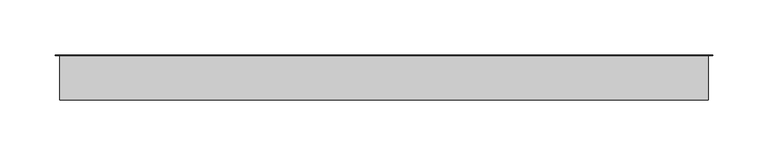
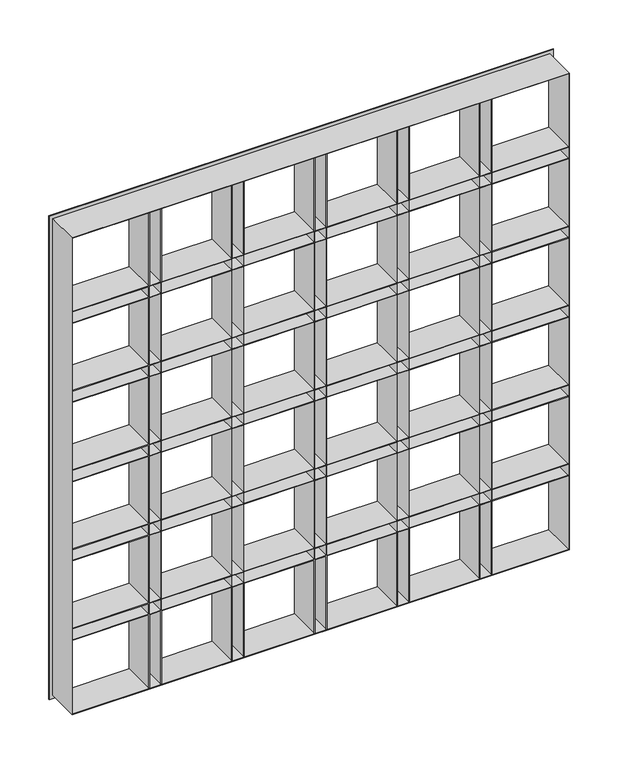
"""IFC4 building model written with IfcOpenShell, lengths in millimetres: plate geometry."""

from ifc_helpers import new_model, si_unit, origin, place, context, project, spatial, faceted_brep, source, transform, mapped, element, save


def plate_b9bea958(model_context):
    return source(origin(), model_context, "Body", "Brep", [
        faceted_brep([(-298.5, 0.0, -6.0), (-298.5, 0.0, 598.5), (298.5, 0.0, 598.5), (298.5, 0.0, -6.0), (-293.5, 0.0, 593.5), (-293.5, 0.0, 501.9166667), (-203.1666667, 0.0, 501.9166667), (-203.1666667, 0.0, 593.5), (293.5, 0.0, 501.9166667), (293.5, 0.0, 593.5), (203.1666667, 0.0, 593.5), (203.1666667, 0.0, 501.9166667), (188.1666667, 0.0, 501.9166667), (188.1666667, 0.0, 593.5), (105.3333333, 0.0, 593.5), (105.3333333, 0.0, 501.9166667), (293.5, 0.0, 486.9166667), (203.1666667, 0.0, 486.9166667), (203.1666667, 0.0, 402.8333333), (293.5, 0.0, 402.8333333), (203.1666667, 0.0, -1.0), (293.5, 0.0, -1.0), (293.5, 0.0, 90.5833333), (203.1666667, 0.0, 90.5833333), (293.5, 0.0, 387.8333333), (203.1666667, 0.0, 387.8333333), (203.1666667, 0.0, 303.75), (293.5, 0.0, 303.75), (-293.5, 0.0, 486.9166667), (-293.5, 0.0, 402.8333333), (-203.1666667, 0.0, 402.8333333), (-203.1666667, 0.0, 486.9166667), (188.1666667, 0.0, 402.8333333), (188.1666667, 0.0, 486.9166667), (105.3333333, 0.0, 486.9166667), (105.3333333, 0.0, 402.8333333), (293.5, 0.0, 288.75), (203.1666667, 0.0, 288.75), (203.1666667, 0.0, 204.6666667), (293.5, 0.0, 204.6666667), (-293.5, 0.0, 387.8333333), (-293.5, 0.0, 303.75), (-203.1666667, 0.0, 303.75), (-203.1666667, 0.0, 387.8333333), (188.1666667, 0.0, 303.75), (188.1666667, 0.0, 387.8333333), (105.3333333, 0.0, 387.8333333), (105.3333333, 0.0, 303.75), (293.5, 0.0, 189.6666667), (203.1666667, 0.0, 189.6666667), (203.1666667, 0.0, 105.5833333), (293.5, 0.0, 105.5833333), (-293.5, 0.0, 288.75), (-293.5, 0.0, 204.6666667), (-203.1666667, 0.0, 204.6666667), (-203.1666667, 0.0, 288.75), (188.1666667, 0.0, 204.6666667), (188.1666667, 0.0, 288.75), (105.3333333, 0.0, 288.75), (105.3333333, 0.0, 204.6666667), (-293.5, 0.0, 189.6666667), (-293.5, 0.0, 105.5833333), (-203.1666667, 0.0, 105.5833333), (-203.1666667, 0.0, 189.6666667), (-293.5, 0.0, 90.5833333), (-293.5, 0.0, -1.0), (-203.1666667, 0.0, -1.0), (-203.1666667, 0.0, 90.5833333), (188.1666667, 0.0, 105.5833333), (188.1666667, 0.0, 189.6666667), (105.3333333, 0.0, 189.6666667), (105.3333333, 0.0, 105.5833333), (188.1666667, 0.0, -1.0), (188.1666667, 0.0, 90.5833333), (105.3333333, 0.0, 90.5833333), (105.3333333, 0.0, -1.0), (90.3333333, 0.0, 501.9166667), (90.3333333, 0.0, 593.5), (7.5, 0.0, 593.5), (7.5, 0.0, 501.9166667), (90.3333333, 0.0, 402.8333333), (90.3333333, 0.0, 486.9166667), (7.5, 0.0, 486.9166667), (7.5, 0.0, 402.8333333), (90.3333333, 0.0, 303.75), (90.3333333, 0.0, 387.8333333), (7.5, 0.0, 387.8333333), (7.5, 0.0, 303.75), (90.3333333, 0.0, 204.6666667), (90.3333333, 0.0, 288.75), (7.5, 0.0, 288.75), (7.5, 0.0, 204.6666667), (90.3333333, 0.0, 105.5833333), (90.3333333, 0.0, 189.6666667), (7.5, 0.0, 189.6666667), (7.5, 0.0, 105.5833333), (90.3333333, 0.0, -1.0), (90.3333333, 0.0, 90.5833333), (7.5, 0.0, 90.5833333), (7.5, 0.0, -1.0), (-7.5, 0.0, 501.9166667), (-7.5, 0.0, 593.5), (-90.3333333, 0.0, 593.5), (-90.3333333, 0.0, 501.9166667), (-7.5, 0.0, 402.8333333), (-7.5, 0.0, 486.9166667), (-90.3333333, 0.0, 486.9166667), (-90.3333333, 0.0, 402.8333333), (-7.5, 0.0, 303.75), (-7.5, 0.0, 387.8333333), (-90.3333333, 0.0, 387.8333333), (-90.3333333, 0.0, 303.75), (-7.5, 0.0, 204.6666667), (-7.5, 0.0, 288.75), (-90.3333333, 0.0, 288.75), (-90.3333333, 0.0, 204.6666667), (-7.5, 0.0, 105.5833333), (-7.5, 0.0, 189.6666667), (-90.3333333, 0.0, 189.6666667), (-90.3333333, 0.0, 105.5833333), (-7.5, 0.0, -1.0), (-7.5, 0.0, 90.5833333), (-90.3333333, 0.0, 90.5833333), (-90.3333333, 0.0, -1.0), (-188.1666667, 0.0, 105.5833333), (-105.3333333, 0.0, 105.5833333), (-105.3333333, 0.0, 189.6666667), (-188.1666667, 0.0, 189.6666667), (-188.1666667, 0.0, 204.6666667), (-105.3333333, 0.0, 204.6666667), (-105.3333333, 0.0, 288.75), (-188.1666667, 0.0, 288.75), (-188.1666667, 0.0, 303.75), (-105.3333333, 0.0, 303.75), (-105.3333333, 0.0, 387.8333333), (-188.1666667, 0.0, 387.8333333), (-188.1666667, 0.0, 402.8333333), (-105.3333333, 0.0, 402.8333333), (-105.3333333, 0.0, 486.9166667), (-188.1666667, 0.0, 486.9166667), (-188.1666667, 0.0, 501.9166667), (-105.3333333, 0.0, 501.9166667), (-105.3333333, 0.0, 593.5), (-188.1666667, 0.0, 593.5), (-188.1666667, 0.0, -1.0), (-105.3333333, 0.0, -1.0), (-105.3333333, 0.0, 90.5833333), (-188.1666667, 0.0, 90.5833333), (-293.5, -40.0, 501.9166667), (-203.1666667, -40.0, 501.9166667), (293.5, -40.0, 501.9166667), (203.1666667, -40.0, 501.9166667), (188.9666667, -40.0, 501.9166667), (202.3666667, -40.0, 501.9166667), (202.3666667, -0.8, 501.9166667), (188.9666667, -0.8, 501.9166667), (188.1666667, -40.0, 501.9166667), (105.3333333, -40.0, 501.9166667), (91.1333333, -40.0, 501.9166667), (104.5333333, -40.0, 501.9166667), (104.5333333, -0.8, 501.9166667), (91.1333333, -0.8, 501.9166667), (90.3333333, -40.0, 501.9166667), (7.5, -40.0, 501.9166667), (-6.7, -40.0, 501.9166667), (6.7, -40.0, 501.9166667), (6.7, -0.8, 501.9166667), (-6.7, -0.8, 501.9166667), (-7.5, -40.0, 501.9166667), (-90.3333333, -40.0, 501.9166667), (-202.3666667, -40.0, 501.9166667), (-188.9666667, -40.0, 501.9166667), (-188.9666667, -0.8, 501.9166667), (-202.3666667, -0.8, 501.9166667), (-188.1666667, -40.0, 501.9166667), (-105.3333333, -40.0, 501.9166667), (-104.5333333, -40.0, 501.9166667), (-91.1333333, -40.0, 501.9166667), (-91.1333333, -0.8, 501.9166667), (-104.5333333, -0.8, 501.9166667), (-293.5, -40.0, 501.1166667), (-203.1666667, -40.0, 501.1166667), (-203.1666667, -40.0, 487.7166667), (-293.5, -40.0, 487.7166667), (-293.5, -40.0, 486.9166667), (-203.1666667, -40.0, 486.9166667), (-203.1666667, -40.0, 402.8333333), (-293.5, -40.0, 402.8333333), (-293.5, -40.0, 402.0333333), (-203.1666667, -40.0, 402.0333333), (-203.1666667, -40.0, 388.6333333), (-293.5, -40.0, 388.6333333), (-293.5, -40.0, 387.8333333), (-203.1666667, -40.0, 387.8333333), (-203.1666667, -40.0, 303.75), (-293.5, -40.0, 303.75), (-293.5, -40.0, 302.95), (-203.1666667, -40.0, 302.95), (-203.1666667, -40.0, 289.55), (-293.5, -40.0, 289.55), (-293.5, -40.0, 288.75), (-203.1666667, -40.0, 288.75), (-203.1666667, -40.0, 204.6666667), (-293.5, -40.0, 204.6666667), (-293.5, -40.0, 203.8666667), (-203.1666667, -40.0, 203.8666667), (-203.1666667, -40.0, 190.4666667), (-293.5, -40.0, 190.4666667), (-293.5, -40.0, 189.6666667), (-203.1666667, -40.0, 189.6666667), (-203.1666667, -40.0, 105.5833333), (-293.5, -40.0, 105.5833333), (-293.5, -40.0, 104.7833333), (-203.1666667, -40.0, 104.7833333), (-203.1666667, -40.0, 91.3833333), (-293.5, -40.0, 91.3833333), (-293.5, -40.0, 90.5833333), (-203.1666667, -40.0, 90.5833333), (-203.1666667, -40.0, -1.0), (-202.3666667, -40.0, -1.0), (-202.3666667, -40.0, 90.5833333), (-188.9666667, -40.0, 90.5833333), (-188.9666667, -40.0, -1.0), (-188.1666667, -40.0, -1.0), (-188.1666667, -40.0, 90.5833333), (-105.3333333, -40.0, 90.5833333), (-105.3333333, -40.0, -1.0), (-104.5333333, -40.0, -1.0), (-104.5333333, -40.0, 90.5833333), (-91.1333333, -40.0, 90.5833333), (-91.1333333, -40.0, -1.0), (-90.3333333, -40.0, -1.0), (-90.3333333, -40.0, 90.5833333), (-7.5, -40.0, 90.5833333), (-7.5, -40.0, -1.0), (-6.7, -40.0, -1.0), (-6.7, -40.0, 90.5833333), (6.7, -40.0, 90.5833333), (6.7, -40.0, -1.0), (7.5, -40.0, -1.0), (7.5, -40.0, 90.5833333), (90.3333333, -40.0, 90.5833333), (90.3333333, -40.0, -1.0), (91.1333333, -40.0, -1.0), (91.1333333, -40.0, 90.5833333), (104.5333333, -40.0, 90.5833333), (104.5333333, -40.0, -1.0), (105.3333333, -40.0, -1.0), (105.3333333, -40.0, 90.5833333), (188.1666667, -40.0, 90.5833333), (188.1666667, -40.0, -1.0), (188.9666667, -40.0, -1.0), (188.9666667, -40.0, 90.5833333), (202.3666667, -40.0, 90.5833333), (202.3666667, -40.0, -1.0), (203.1666667, -40.0, -1.0), (203.1666667, -40.0, 90.5833333), (293.5, -40.0, 90.5833333), (293.5, -40.0, 91.3833333), (203.1666667, -40.0, 91.3833333), (203.1666667, -40.0, 104.7833333), (293.5, -40.0, 104.7833333), (293.5, -40.0, 105.5833333), (203.1666667, -40.0, 105.5833333), (203.1666667, -40.0, 189.6666667), (293.5, -40.0, 189.6666667), (293.5, -40.0, 190.4666667), (203.1666667, -40.0, 190.4666667), (203.1666667, -40.0, 203.8666667), (293.5, -40.0, 203.8666667), (293.5, -40.0, 204.6666667), (203.1666667, -40.0, 204.6666667), (203.1666667, -40.0, 288.75), (293.5, -40.0, 288.75), (293.5, -40.0, 289.55), (203.1666667, -40.0, 289.55), (203.1666667, -40.0, 302.95), (293.5, -40.0, 302.95), (293.5, -40.0, 303.75), (203.1666667, -40.0, 303.75), (203.1666667, -40.0, 387.8333333), (293.5, -40.0, 387.8333333), (293.5, -40.0, 388.6333333), (203.1666667, -40.0, 388.6333333), (203.1666667, -40.0, 402.0333333), (293.5, -40.0, 402.0333333), (293.5, -40.0, 402.8333333), (203.1666667, -40.0, 402.8333333), (203.1666667, -40.0, 486.9166667), (293.5, -40.0, 486.9166667), (293.5, -40.0, 487.7166667), (203.1666667, -40.0, 487.7166667), (203.1666667, -40.0, 501.1166667), (293.5, -40.0, 501.1166667), (203.1666667, -40.0, 593.5), (202.3666667, -40.0, 593.5), (188.9666667, -40.0, 593.5), (188.1666667, -40.0, 593.5), (105.3333333, -40.0, 593.5), (104.5333333, -40.0, 593.5), (91.1333333, -40.0, 593.5), (90.3333333, -40.0, 593.5), (7.5, -40.0, 593.5), (6.7, -40.0, 593.5), (-6.7, -40.0, 593.5), (-7.5, -40.0, 593.5), (-90.3333333, -40.0, 593.5), (-91.1333333, -40.0, 593.5), (-104.5333333, -40.0, 593.5), (-105.3333333, -40.0, 593.5), (-188.1666667, -40.0, 593.5), (-188.9666667, -40.0, 593.5), (-202.3666667, -40.0, 593.5), (-203.1666667, -40.0, 593.5), (188.9666667, -40.0, 501.1166667), (202.3666667, -40.0, 501.1166667), (202.3666667, -40.0, 487.7166667), (188.9666667, -40.0, 487.7166667), (188.1666667, -40.0, 501.1166667), (188.1666667, -40.0, 487.7166667), (105.3333333, -40.0, 487.7166667), (105.3333333, -40.0, 501.1166667), (188.9666667, -40.0, 486.9166667), (202.3666667, -40.0, 486.9166667), (202.3666667, -40.0, 402.8333333), (188.9666667, -40.0, 402.8333333), (202.3666667, -40.0, 402.0333333), (202.3666667, -40.0, 388.6333333), (188.9666667, -40.0, 388.6333333), (188.9666667, -40.0, 402.0333333), (188.1666667, -40.0, 486.9166667), (188.1666667, -40.0, 402.8333333), (105.3333333, -40.0, 402.8333333), (105.3333333, -40.0, 486.9166667), (188.1666667, -40.0, 402.0333333), (188.1666667, -40.0, 388.6333333), (105.3333333, -40.0, 388.6333333), (105.3333333, -40.0, 402.0333333), (188.9666667, -40.0, 387.8333333), (202.3666667, -40.0, 387.8333333), (202.3666667, -40.0, 303.75), (188.9666667, -40.0, 303.75), (188.1666667, -40.0, 387.8333333), (188.1666667, -40.0, 303.75), (105.3333333, -40.0, 303.75), (105.3333333, -40.0, 387.8333333), (188.1666667, -40.0, 302.95), (188.1666667, -40.0, 289.55), (105.3333333, -40.0, 289.55), (105.3333333, -40.0, 302.95), (202.3666667, -40.0, 302.95), (202.3666667, -40.0, 289.55), (188.9666667, -40.0, 289.55), (188.9666667, -40.0, 302.95), (188.9666667, -40.0, 288.75), (202.3666667, -40.0, 288.75), (202.3666667, -40.0, 204.6666667), (188.9666667, -40.0, 204.6666667), (188.1666667, -40.0, 288.75), (188.1666667, -40.0, 204.6666667), (105.3333333, -40.0, 204.6666667), (105.3333333, -40.0, 288.75), (188.1666667, -40.0, 203.8666667), (188.1666667, -40.0, 190.4666667), (105.3333333, -40.0, 190.4666667), (105.3333333, -40.0, 203.8666667), (202.3666667, -40.0, 203.8666667), (202.3666667, -40.0, 190.4666667), (188.9666667, -40.0, 190.4666667), (188.9666667, -40.0, 203.8666667), (188.9666667, -40.0, 189.6666667), (202.3666667, -40.0, 189.6666667), (202.3666667, -40.0, 105.5833333), (188.9666667, -40.0, 105.5833333), (188.1666667, -40.0, 189.6666667), (188.1666667, -40.0, 105.5833333), (105.3333333, -40.0, 105.5833333), (105.3333333, -40.0, 189.6666667), (188.1666667, -40.0, 104.7833333), (188.1666667, -40.0, 91.3833333), (105.3333333, -40.0, 91.3833333), (105.3333333, -40.0, 104.7833333), (202.3666667, -40.0, 104.7833333), (202.3666667, -40.0, 91.3833333), (188.9666667, -40.0, 91.3833333), (188.9666667, -40.0, 104.7833333), (91.1333333, -40.0, 501.1166667), (104.5333333, -40.0, 501.1166667), (104.5333333, -40.0, 487.7166667), (91.1333333, -40.0, 487.7166667), (91.1333333, -40.0, 486.9166667), (104.5333333, -40.0, 486.9166667), (104.5333333, -40.0, 402.8333333), (91.1333333, -40.0, 402.8333333), (91.1333333, -40.0, 402.0333333), (104.5333333, -40.0, 402.0333333), (104.5333333, -40.0, 388.6333333), (91.1333333, -40.0, 388.6333333), (91.1333333, -40.0, 387.8333333), (104.5333333, -40.0, 387.8333333), (104.5333333, -40.0, 303.75), (91.1333333, -40.0, 303.75), (91.1333333, -40.0, 302.95), (104.5333333, -40.0, 302.95), (104.5333333, -40.0, 289.55), (91.1333333, -40.0, 289.55), (91.1333333, -40.0, 288.75), (104.5333333, -40.0, 288.75), (104.5333333, -40.0, 204.6666667), (91.1333333, -40.0, 204.6666667), (91.1333333, -40.0, 203.8666667), (104.5333333, -40.0, 203.8666667), (104.5333333, -40.0, 190.4666667), (91.1333333, -40.0, 190.4666667), (91.1333333, -40.0, 189.6666667), (104.5333333, -40.0, 189.6666667), (104.5333333, -40.0, 105.5833333), (91.1333333, -40.0, 105.5833333), (91.1333333, -40.0, 104.7833333), (104.5333333, -40.0, 104.7833333), (104.5333333, -40.0, 91.3833333), (91.1333333, -40.0, 91.3833333), (90.3333333, -40.0, 501.1166667), (90.3333333, -40.0, 487.7166667), (7.5, -40.0, 487.7166667), (7.5, -40.0, 501.1166667), (90.3333333, -40.0, 486.9166667), (90.3333333, -40.0, 402.8333333), (7.5, -40.0, 402.8333333), (7.5, -40.0, 486.9166667), (90.3333333, -40.0, 402.0333333), (90.3333333, -40.0, 388.6333333), (7.5, -40.0, 388.6333333), (7.5, -40.0, 402.0333333), (90.3333333, -40.0, 387.8333333), (90.3333333, -40.0, 303.75), (7.5, -40.0, 303.75), (7.5, -40.0, 387.8333333), (90.3333333, -40.0, 302.95), (90.3333333, -40.0, 289.55), (7.5, -40.0, 289.55), (7.5, -40.0, 302.95), (90.3333333, -40.0, 288.75), (90.3333333, -40.0, 204.6666667), (7.5, -40.0, 204.6666667), (7.5, -40.0, 288.75), (90.3333333, -40.0, 203.8666667), (90.3333333, -40.0, 190.4666667), (7.5, -40.0, 190.4666667), (7.5, -40.0, 203.8666667), (90.3333333, -40.0, 189.6666667), (90.3333333, -40.0, 105.5833333), (7.5, -40.0, 105.5833333), (7.5, -40.0, 189.6666667), (90.3333333, -40.0, 104.7833333), (90.3333333, -40.0, 91.3833333), (7.5, -40.0, 91.3833333), (7.5, -40.0, 104.7833333), (-6.7, -40.0, 501.1166667), (6.7, -40.0, 501.1166667), (6.7, -40.0, 487.7166667), (-6.7, -40.0, 487.7166667), (-6.7, -40.0, 486.9166667), (6.7, -40.0, 486.9166667), (6.7, -40.0, 402.8333333), (-6.7, -40.0, 402.8333333), (-6.7, -40.0, 402.0333333), (6.7, -40.0, 402.0333333), (6.7, -40.0, 388.6333333), (-6.7, -40.0, 388.6333333), (-6.7, -40.0, 387.8333333), (6.7, -40.0, 387.8333333), (6.7, -40.0, 303.75), (-6.7, -40.0, 303.75), (-6.7, -40.0, 302.95), (6.7, -40.0, 302.95), (6.7, -40.0, 289.55), (-6.7, -40.0, 289.55), (-6.7, -40.0, 288.75), (6.7, -40.0, 288.75), (6.7, -40.0, 204.6666667), (-6.7, -40.0, 204.6666667), (-6.7, -40.0, 203.8666667), (6.7, -40.0, 203.8666667), (6.7, -40.0, 190.4666667), (-6.7, -40.0, 190.4666667), (-6.7, -40.0, 189.6666667), (6.7, -40.0, 189.6666667), (6.7, -40.0, 105.5833333), (-6.7, -40.0, 105.5833333), (-6.7, -40.0, 104.7833333), (6.7, -40.0, 104.7833333), (6.7, -40.0, 91.3833333), (-6.7, -40.0, 91.3833333), (-7.5, -40.0, 501.1166667), (-7.5, -40.0, 487.7166667), (-90.3333333, -40.0, 487.7166667), (-90.3333333, -40.0, 501.1166667), (-7.5, -40.0, 486.9166667), (-7.5, -40.0, 402.8333333), (-90.3333333, -40.0, 402.8333333), (-90.3333333, -40.0, 486.9166667), (-7.5, -40.0, 402.0333333), (-7.5, -40.0, 388.6333333), (-90.3333333, -40.0, 388.6333333), (-90.3333333, -40.0, 402.0333333), (-7.5, -40.0, 387.8333333), (-7.5, -40.0, 303.75), (-90.3333333, -40.0, 303.75), (-90.3333333, -40.0, 387.8333333), (-7.5, -40.0, 302.95), (-7.5, -40.0, 289.55), (-90.3333333, -40.0, 289.55), (-90.3333333, -40.0, 302.95), (-7.5, -40.0, 288.75), (-7.5, -40.0, 204.6666667), (-90.3333333, -40.0, 204.6666667), (-90.3333333, -40.0, 288.75), (-7.5, -40.0, 203.8666667), (-7.5, -40.0, 190.4666667), (-90.3333333, -40.0, 190.4666667), (-90.3333333, -40.0, 203.8666667), (-7.5, -40.0, 189.6666667), (-7.5, -40.0, 105.5833333), (-90.3333333, -40.0, 105.5833333), (-90.3333333, -40.0, 189.6666667), (-7.5, -40.0, 104.7833333), (-7.5, -40.0, 91.3833333), (-90.3333333, -40.0, 91.3833333), (-90.3333333, -40.0, 104.7833333), (-202.3666667, -40.0, 501.1166667), (-188.9666667, -40.0, 501.1166667), (-188.9666667, -40.0, 487.7166667), (-202.3666667, -40.0, 487.7166667), (-202.3666667, -40.0, 486.9166667), (-188.9666667, -40.0, 486.9166667), (-188.9666667, -40.0, 402.8333333), (-202.3666667, -40.0, 402.8333333), (-202.3666667, -40.0, 402.0333333), (-188.9666667, -40.0, 402.0333333), (-188.9666667, -40.0, 388.6333333), (-202.3666667, -40.0, 388.6333333), (-202.3666667, -40.0, 387.8333333), (-188.9666667, -40.0, 387.8333333), (-188.9666667, -40.0, 303.75), (-202.3666667, -40.0, 303.75), (-202.3666667, -40.0, 302.95), (-188.9666667, -40.0, 302.95), (-188.9666667, -40.0, 289.55), (-202.3666667, -40.0, 289.55), (-202.3666667, -40.0, 288.75), (-188.9666667, -40.0, 288.75), (-188.9666667, -40.0, 204.6666667), (-202.3666667, -40.0, 204.6666667), (-202.3666667, -40.0, 203.8666667), (-188.9666667, -40.0, 203.8666667), (-188.9666667, -40.0, 190.4666667), (-202.3666667, -40.0, 190.4666667), (-202.3666667, -40.0, 189.6666667), (-188.9666667, -40.0, 189.6666667), (-188.9666667, -40.0, 105.5833333), (-202.3666667, -40.0, 105.5833333), (-202.3666667, -40.0, 104.7833333), (-188.9666667, -40.0, 104.7833333), (-188.9666667, -40.0, 91.3833333), (-202.3666667, -40.0, 91.3833333), (-188.1666667, -40.0, 501.1166667), (-105.3333333, -40.0, 501.1166667), (-105.3333333, -40.0, 487.7166667), (-188.1666667, -40.0, 487.7166667), (-104.5333333, -40.0, 501.1166667), (-91.1333333, -40.0, 501.1166667), (-91.1333333, -40.0, 487.7166667), (-104.5333333, -40.0, 487.7166667), (-188.1666667, -40.0, 486.9166667), (-105.3333333, -40.0, 486.9166667), (-105.3333333, -40.0, 402.8333333), (-188.1666667, -40.0, 402.8333333), (-104.5333333, -40.0, 486.9166667), (-91.1333333, -40.0, 486.9166667), (-91.1333333, -40.0, 402.8333333), (-104.5333333, -40.0, 402.8333333), (-188.1666667, -40.0, 402.0333333), (-105.3333333, -40.0, 402.0333333), (-105.3333333, -40.0, 388.6333333), (-188.1666667, -40.0, 388.6333333), (-104.5333333, -40.0, 402.0333333), (-91.1333333, -40.0, 402.0333333), (-91.1333333, -40.0, 388.6333333), (-104.5333333, -40.0, 388.6333333), (-188.1666667, -40.0, 387.8333333), (-105.3333333, -40.0, 387.8333333), (-105.3333333, -40.0, 303.75), (-188.1666667, -40.0, 303.75), (-104.5333333, -40.0, 387.8333333), (-91.1333333, -40.0, 387.8333333), (-91.1333333, -40.0, 303.75), (-104.5333333, -40.0, 303.75), (-188.1666667, -40.0, 302.95), (-105.3333333, -40.0, 302.95), (-105.3333333, -40.0, 289.55), (-188.1666667, -40.0, 289.55), (-104.5333333, -40.0, 302.95), (-91.1333333, -40.0, 302.95), (-91.1333333, -40.0, 289.55), (-104.5333333, -40.0, 289.55), (-188.1666667, -40.0, 288.75), (-105.3333333, -40.0, 288.75), (-105.3333333, -40.0, 204.6666667), (-188.1666667, -40.0, 204.6666667), (-104.5333333, -40.0, 288.75), (-91.1333333, -40.0, 288.75), (-91.1333333, -40.0, 204.6666667), (-104.5333333, -40.0, 204.6666667), (-188.1666667, -40.0, 203.8666667), (-105.3333333, -40.0, 203.8666667), (-105.3333333, -40.0, 190.4666667), (-188.1666667, -40.0, 190.4666667), (-104.5333333, -40.0, 203.8666667), (-91.1333333, -40.0, 203.8666667), (-91.1333333, -40.0, 190.4666667), (-104.5333333, -40.0, 190.4666667), (-188.1666667, -40.0, 189.6666667), (-105.3333333, -40.0, 189.6666667), (-105.3333333, -40.0, 105.5833333), (-188.1666667, -40.0, 105.5833333), (-104.5333333, -40.0, 189.6666667), (-91.1333333, -40.0, 189.6666667), (-91.1333333, -40.0, 105.5833333), (-104.5333333, -40.0, 105.5833333), (-188.1666667, -40.0, 104.7833333), (-105.3333333, -40.0, 104.7833333), (-105.3333333, -40.0, 91.3833333), (-188.1666667, -40.0, 91.3833333), (-104.5333333, -40.0, 104.7833333), (-91.1333333, -40.0, 104.7833333), (-91.1333333, -40.0, 91.3833333), (-104.5333333, -40.0, 91.3833333), (188.9666667, -0.8, 501.1166667), (202.3666667, -0.8, 501.1166667), (91.1333333, -0.8, 501.1166667), (104.5333333, -0.8, 501.1166667), (-6.7, -0.8, 501.1166667), (6.7, -0.8, 501.1166667), (-202.3666667, -0.8, 501.1166667), (-188.9666667, -0.8, 501.1166667), (-104.5333333, -0.8, 501.1166667), (-91.1333333, -0.8, 501.1166667), (-293.5, -0.8, 501.1166667), (-203.1666667, -0.8, 501.1166667), (293.5, -0.8, 501.1166667), (203.1666667, -0.8, 501.1166667), (188.1666667, -0.8, 501.1166667), (105.3333333, -0.8, 501.1166667), (90.3333333, -0.8, 501.1166667), (7.5, -0.8, 501.1166667), (-7.5, -0.8, 501.1166667), (-90.3333333, -0.8, 501.1166667), (-188.1666667, -0.8, 501.1166667), (-105.3333333, -0.8, 501.1166667), (188.9666667, -0.8, 487.7166667), (202.3666667, -0.8, 487.7166667), (91.1333333, -0.8, 487.7166667), (104.5333333, -0.8, 487.7166667), (-6.7, -0.8, 487.7166667), (6.7, -0.8, 487.7166667), (-202.3666667, -0.8, 487.7166667), (-188.9666667, -0.8, 487.7166667), (-104.5333333, -0.8, 487.7166667), (-91.1333333, -0.8, 487.7166667), (-293.5, -0.8, 487.7166667), (-203.1666667, -0.8, 487.7166667), (293.5, -0.8, 487.7166667), (203.1666667, -0.8, 487.7166667), (188.1666667, -0.8, 487.7166667), (105.3333333, -0.8, 487.7166667), (90.3333333, -0.8, 487.7166667), (7.5, -0.8, 487.7166667), (-7.5, -0.8, 487.7166667), (-90.3333333, -0.8, 487.7166667), (-188.1666667, -0.8, 487.7166667), (-105.3333333, -0.8, 487.7166667), (188.9666667, -0.8, 486.9166667), (202.3666667, -0.8, 486.9166667), (91.1333333, -0.8, 486.9166667), (104.5333333, -0.8, 486.9166667), (-6.7, -0.8, 486.9166667), (6.7, -0.8, 486.9166667), (-202.3666667, -0.8, 486.9166667), (-188.9666667, -0.8, 486.9166667), (-104.5333333, -0.8, 486.9166667), (-91.1333333, -0.8, 486.9166667), (-293.5, -40.8, -1.0), (-293.5, -0.8, 91.3833333), (-293.5, -0.8, 104.7833333), (-293.5, -0.8, 190.4666667), (-293.5, -0.8, 203.8666667), (-293.5, -0.8, 289.55), (-293.5, -0.8, 302.95), (-293.5, -0.8, 388.6333333), (-293.5, -0.8, 402.0333333), (-293.5, -40.8, 593.5), (-294.3, -0.8, -1.8), (-294.3, -40.8, -1.8), (-294.3, -40.8, 594.3), (-294.3, -0.8, 594.3), (-298.5, -0.8, -6.0), (-298.5, -0.8, 598.5), (-202.3666667, -0.8, 593.5), (-188.9666667, -0.8, 593.5), (-104.5333333, -0.8, 593.5), (-91.1333333, -0.8, 593.5), (-6.7, -0.8, 593.5), (6.7, -0.8, 593.5), (91.1333333, -0.8, 593.5), (104.5333333, -0.8, 593.5), (188.9666667, -0.8, 593.5), (202.3666667, -0.8, 593.5), (293.5, -40.8, 593.5), (294.3, -40.8, 594.3), (294.3, -0.8, 594.3), (298.5, -0.8, 598.5), (293.5, -0.8, 402.0333333), (293.5, -0.8, 388.6333333), (293.5, -0.8, 302.95), (293.5, -0.8, 289.55), (293.5, -0.8, 203.8666667), (293.5, -0.8, 190.4666667), (293.5, -0.8, 104.7833333), (293.5, -0.8, 91.3833333), (293.5, -40.8, -1.0), (294.3, -40.8, -1.8), (294.3, -0.8, -1.8), (298.5, -0.8, -6.0), (202.3666667, -0.8, -1.0), (188.9666667, -0.8, -1.0), (104.5333333, -0.8, -1.0), (91.1333333, -0.8, -1.0), (6.7, -0.8, -1.0), (-6.7, -0.8, -1.0), (-91.1333333, -0.8, -1.0), (-104.5333333, -0.8, -1.0), (-188.9666667, -0.8, -1.0), (-202.3666667, -0.8, -1.0), (188.1666667, -0.8, 402.0333333), (188.1666667, -0.8, 388.6333333), (188.1666667, -0.8, 302.95), (188.1666667, -0.8, 289.55), (188.1666667, -0.8, 203.8666667), (188.1666667, -0.8, 190.4666667), (188.1666667, -0.8, 104.7833333), (188.1666667, -0.8, 91.3833333), (188.9666667, -0.8, 388.6333333), (188.9666667, -0.8, 402.0333333), (188.9666667, -0.8, 289.55), (188.9666667, -0.8, 302.95), (188.9666667, -0.8, 190.4666667), (188.9666667, -0.8, 203.8666667), (188.9666667, -0.8, 91.3833333), (188.9666667, -0.8, 104.7833333), (188.9666667, -0.8, 402.8333333), (188.9666667, -0.8, 90.5833333), (188.9666667, -0.8, 387.8333333), (188.9666667, -0.8, 303.75), (188.9666667, -0.8, 288.75), (188.9666667, -0.8, 204.6666667), (188.9666667, -0.8, 189.6666667), (188.9666667, -0.8, 105.5833333), (202.3666667, -0.8, 402.8333333), (202.3666667, -0.8, 90.5833333), (202.3666667, -0.8, 388.6333333), (202.3666667, -0.8, 402.0333333), (202.3666667, -0.8, 289.55), (202.3666667, -0.8, 302.95), (202.3666667, -0.8, 190.4666667), (202.3666667, -0.8, 203.8666667), (202.3666667, -0.8, 91.3833333), (202.3666667, -0.8, 104.7833333), (202.3666667, -0.8, 387.8333333), (202.3666667, -0.8, 303.75), (202.3666667, -0.8, 288.75), (202.3666667, -0.8, 204.6666667), (202.3666667, -0.8, 189.6666667), (202.3666667, -0.8, 105.5833333), (203.1666667, -0.8, 91.3833333), (203.1666667, -0.8, 104.7833333), (203.1666667, -0.8, 190.4666667), (203.1666667, -0.8, 203.8666667), (203.1666667, -0.8, 289.55), (203.1666667, -0.8, 302.95), (203.1666667, -0.8, 388.6333333), (203.1666667, -0.8, 402.0333333), (104.5333333, -0.8, 402.8333333), (91.1333333, -0.8, 402.8333333), (6.7, -0.8, 402.8333333), (-6.7, -0.8, 402.8333333), (-188.9666667, -0.8, 402.8333333), (-202.3666667, -0.8, 402.8333333), (-91.1333333, -0.8, 402.8333333), (-104.5333333, -0.8, 402.8333333), (91.1333333, -0.8, 402.0333333), (104.5333333, -0.8, 402.0333333), (-6.7, -0.8, 402.0333333), (6.7, -0.8, 402.0333333), (-202.3666667, -0.8, 402.0333333), (-188.9666667, -0.8, 402.0333333), (-104.5333333, -0.8, 402.0333333), (-91.1333333, -0.8, 402.0333333), (-203.1666667, -0.8, 402.0333333), (105.3333333, -0.8, 402.0333333), (90.3333333, -0.8, 402.0333333), (7.5, -0.8, 402.0333333), (-7.5, -0.8, 402.0333333), (-90.3333333, -0.8, 402.0333333), (-188.1666667, -0.8, 402.0333333), (-105.3333333, -0.8, 402.0333333), (-203.1666667, -0.8, 388.6333333), (105.3333333, -0.8, 388.6333333), (91.1333333, -0.8, 388.6333333), (104.5333333, -0.8, 388.6333333), (-6.7, -0.8, 388.6333333), (6.7, -0.8, 388.6333333), (-202.3666667, -0.8, 388.6333333), (-188.9666667, -0.8, 388.6333333), (-104.5333333, -0.8, 388.6333333), (-91.1333333, -0.8, 388.6333333), (90.3333333, -0.8, 388.6333333), (7.5, -0.8, 388.6333333), (-7.5, -0.8, 388.6333333), (-90.3333333, -0.8, 388.6333333), (-188.1666667, -0.8, 388.6333333), (-105.3333333, -0.8, 388.6333333), (91.1333333, -0.8, 387.8333333), (104.5333333, -0.8, 387.8333333), (-6.7, -0.8, 387.8333333), (6.7, -0.8, 387.8333333), (-202.3666667, -0.8, 387.8333333), (-188.9666667, -0.8, 387.8333333), (-104.5333333, -0.8, 387.8333333), (-91.1333333, -0.8, 387.8333333), (104.5333333, -0.8, 303.75), (91.1333333, -0.8, 303.75), (6.7, -0.8, 303.75), (-6.7, -0.8, 303.75), (-188.9666667, -0.8, 303.75), (-202.3666667, -0.8, 303.75), (-91.1333333, -0.8, 303.75), (-104.5333333, -0.8, 303.75), (91.1333333, -0.8, 302.95), (104.5333333, -0.8, 302.95), (-6.7, -0.8, 302.95), (6.7, -0.8, 302.95), (-202.3666667, -0.8, 302.95), (-188.9666667, -0.8, 302.95), (-104.5333333, -0.8, 302.95), (-91.1333333, -0.8, 302.95), (-203.1666667, -0.8, 302.95), (105.3333333, -0.8, 302.95), (90.3333333, -0.8, 302.95), (7.5, -0.8, 302.95), (-7.5, -0.8, 302.95), (-90.3333333, -0.8, 302.95), (-188.1666667, -0.8, 302.95), (-105.3333333, -0.8, 302.95), (-203.1666667, -0.8, 289.55), (105.3333333, -0.8, 289.55), (91.1333333, -0.8, 289.55), (104.5333333, -0.8, 289.55), (-6.7, -0.8, 289.55), (6.7, -0.8, 289.55), (-202.3666667, -0.8, 289.55), (-188.9666667, -0.8, 289.55), (-104.5333333, -0.8, 289.55), (-91.1333333, -0.8, 289.55), (90.3333333, -0.8, 289.55), (7.5, -0.8, 289.55), (-7.5, -0.8, 289.55), (-90.3333333, -0.8, 289.55), (-188.1666667, -0.8, 289.55), (-105.3333333, -0.8, 289.55), (91.1333333, -0.8, 288.75), (104.5333333, -0.8, 288.75), (-6.7, -0.8, 288.75), (6.7, -0.8, 288.75), (-202.3666667, -0.8, 288.75), (-188.9666667, -0.8, 288.75), (-104.5333333, -0.8, 288.75), (-91.1333333, -0.8, 288.75), (104.5333333, -0.8, 204.6666667), (91.1333333, -0.8, 204.6666667), (6.7, -0.8, 204.6666667), (-6.7, -0.8, 204.6666667), (-188.9666667, -0.8, 204.6666667), (-202.3666667, -0.8, 204.6666667), (-91.1333333, -0.8, 204.6666667), (-104.5333333, -0.8, 204.6666667), (91.1333333, -0.8, 203.8666667), (104.5333333, -0.8, 203.8666667), (-6.7, -0.8, 203.8666667), (6.7, -0.8, 203.8666667), (-202.3666667, -0.8, 203.8666667), (-188.9666667, -0.8, 203.8666667), (-104.5333333, -0.8, 203.8666667), (-91.1333333, -0.8, 203.8666667), (-203.1666667, -0.8, 203.8666667), (105.3333333, -0.8, 203.8666667), (90.3333333, -0.8, 203.8666667), (7.5, -0.8, 203.8666667), (-7.5, -0.8, 203.8666667), (-90.3333333, -0.8, 203.8666667), (-188.1666667, -0.8, 203.8666667), (-105.3333333, -0.8, 203.8666667), (-203.1666667, -0.8, 190.4666667), (105.3333333, -0.8, 190.4666667), (91.1333333, -0.8, 190.4666667), (104.5333333, -0.8, 190.4666667), (-6.7, -0.8, 190.4666667), (6.7, -0.8, 190.4666667), (-202.3666667, -0.8, 190.4666667), (-188.9666667, -0.8, 190.4666667), (-104.5333333, -0.8, 190.4666667), (-91.1333333, -0.8, 190.4666667), (90.3333333, -0.8, 190.4666667), (7.5, -0.8, 190.4666667), (-7.5, -0.8, 190.4666667), (-90.3333333, -0.8, 190.4666667), (-188.1666667, -0.8, 190.4666667), (-105.3333333, -0.8, 190.4666667), (91.1333333, -0.8, 189.6666667), (104.5333333, -0.8, 189.6666667), (-6.7, -0.8, 189.6666667), (6.7, -0.8, 189.6666667), (-202.3666667, -0.8, 189.6666667), (-188.9666667, -0.8, 189.6666667), (-104.5333333, -0.8, 189.6666667), (-91.1333333, -0.8, 189.6666667), (104.5333333, -0.8, 105.5833333), (91.1333333, -0.8, 105.5833333), (6.7, -0.8, 105.5833333), (-6.7, -0.8, 105.5833333), (-188.9666667, -0.8, 105.5833333), (-202.3666667, -0.8, 105.5833333), (-91.1333333, -0.8, 105.5833333), (-104.5333333, -0.8, 105.5833333), (91.1333333, -0.8, 104.7833333), (104.5333333, -0.8, 104.7833333), (-6.7, -0.8, 104.7833333), (6.7, -0.8, 104.7833333), (-202.3666667, -0.8, 104.7833333), (-188.9666667, -0.8, 104.7833333), (-104.5333333, -0.8, 104.7833333), (-91.1333333, -0.8, 104.7833333), (-203.1666667, -0.8, 104.7833333), (105.3333333, -0.8, 104.7833333), (90.3333333, -0.8, 104.7833333), (7.5, -0.8, 104.7833333), (-7.5, -0.8, 104.7833333), (-90.3333333, -0.8, 104.7833333), (-188.1666667, -0.8, 104.7833333), (-105.3333333, -0.8, 104.7833333), (-203.1666667, -0.8, 91.3833333), (105.3333333, -0.8, 91.3833333), (91.1333333, -0.8, 91.3833333), (104.5333333, -0.8, 91.3833333), (-6.7, -0.8, 91.3833333), (6.7, -0.8, 91.3833333), (-202.3666667, -0.8, 91.3833333), (-188.9666667, -0.8, 91.3833333), (-104.5333333, -0.8, 91.3833333), (-91.1333333, -0.8, 91.3833333), (90.3333333, -0.8, 91.3833333), (7.5, -0.8, 91.3833333), (-7.5, -0.8, 91.3833333), (-90.3333333, -0.8, 91.3833333), (-188.1666667, -0.8, 91.3833333), (-105.3333333, -0.8, 91.3833333), (-202.3666667, -0.8, 90.5833333), (-188.9666667, -0.8, 90.5833333), (-104.5333333, -0.8, 90.5833333), (-91.1333333, -0.8, 90.5833333), (-6.7, -0.8, 90.5833333), (6.7, -0.8, 90.5833333), (91.1333333, -0.8, 90.5833333), (104.5333333, -0.8, 90.5833333)], [[[0, 1, 2, 3], [4, 5, 6, 7], [8, 9, 10, 11], [12, 13, 14, 15], [16, 17, 18, 19], [20, 21, 22, 23], [24, 25, 26, 27], [28, 29, 30, 31], [32, 33, 34, 35], [36, 37, 38, 39], [40, 41, 42, 43], [44, 45, 46, 47], [48, 49, 50, 51], [52, 53, 54, 55], [56, 57, 58, 59], [60, 61, 62, 63], [64, 65, 66, 67], [68, 69, 70, 71], [72, 73, 74, 75], [76, 77, 78, 79], [80, 81, 82, 83], [84, 85, 86, 87], [88, 89, 90, 91], [92, 93, 94, 95], [96, 97, 98, 99], [100, 101, 102, 103], [104, 105, 106, 107], [108, 109, 110, 111], [112, 113, 114, 115], [116, 117, 118, 119], [120, 121, 122, 123], [124, 125, 126, 127], [128, 129, 130, 131], [132, 133, 134, 135], [136, 137, 138, 139], [140, 141, 142, 143], [144, 145, 146, 147]], [[5, 148, 149, 6]], [[150, 8, 11, 151]], [[152, 153, 154, 155]], [[156, 12, 15, 157]], [[158, 159, 160, 161]], [[162, 76, 79, 163]], [[164, 165, 166, 167]], [[168, 100, 103, 169]], [[170, 171, 172, 173]], [[140, 174, 175, 141]], [[176, 177, 178, 179]], [[148, 180, 181, 182, 183, 184, 185, 186, 187, 188, 189, 190, 191, 192, 193, 194, 195, 196, 197, 198, 199, 200, 201, 202, 203, 204, 205, 206, 207, 208, 209, 210, 211, 212, 213, 214, 215, 216, 217, 218, 219, 220, 221, 222, 223, 224, 225, 226, 227, 228, 229, 230, 231, 232, 233, 234, 235, 236, 237, 238, 239, 240, 241, 242, 243, 244, 245, 246, 247, 248, 249, 250, 251, 252, 253, 254, 255, 256, 257, 258, 259, 260, 261, 262, 263, 264, 265, 266, 267, 268, 269, 270, 271, 272, 273, 274, 275, 276, 277, 278, 279, 280, 281, 282, 283, 284, 285, 286, 287, 288, 289, 290, 291, 292, 293, 150, 151, 294, 295, 153, 152, 296, 297, 156, 157, 298, 299, 159, 158, 300, 301, 162, 163, 302, 303, 165, 164, 304, 305, 168, 169, 306, 307, 177, 176, 308, 309, 175, 174, 310, 311, 171, 170, 312, 313, 149], [314, 315, 316, 317], [318, 319, 320, 321], [322, 323, 324, 325], [326, 327, 328, 329], [330, 331, 332, 333], [334, 335, 336, 337], [338, 339, 340, 341], [342, 343, 344, 345], [346, 347, 348, 349], [350, 351, 352, 353], [354, 355, 356, 357], [358, 359, 360, 361], [362, 363, 364, 365], [366, 367, 368, 369], [370, 371, 372, 373], [374, 375, 376, 377], [378, 379, 380, 381], [382, 383, 384, 385], [386, 387, 388, 389], [390, 391, 392, 393], [394, 395, 396, 397], [398, 399, 400, 401], [402, 403, 404, 405], [406, 407, 408, 409], [410, 411, 412, 413], [414, 415, 416, 417], [418, 419, 420, 421], [422, 423, 424, 425], [426, 427, 428, 429], [430, 431, 432, 433], [434, 435, 436, 437], [438, 439, 440, 441], [442, 443, 444, 445], [446, 447, 448, 449], [450, 451, 452, 453], [454, 455, 456, 457], [458, 459, 460, 461], [462, 463, 464, 465], [466, 467, 468, 469], [470, 471, 472, 473], [474, 475, 476, 477], [478, 479, 480, 481], [482, 483, 484, 485], [486, 487, 488, 489], [490, 491, 492, 493], [494, 495, 496, 497], [498, 499, 500, 501], [502, 503, 504, 505], [506, 507, 508, 509], [510, 511, 512, 513], [514, 515, 516, 517], [518, 519, 520, 521], [522, 523, 524, 525], [526, 527, 528, 529], [530, 531, 532, 533], [534, 535, 536, 537], [538, 539, 540, 541], [542, 543, 544, 545], [546, 547, 548, 549], [550, 551, 552, 553], [554, 555, 556, 557], [558, 559, 560, 561], [562, 563, 564, 565], [566, 567, 568, 569], [570, 571, 572, 573], [574, 575, 576, 577], [578, 579, 580, 581], [582, 583, 584, 585], [586, 587, 588, 589], [590, 591, 592, 593], [594, 595, 596, 597], [598, 599, 600, 601], [602, 603, 604, 605], [606, 607, 608, 609], [610, 611, 612, 613], [614, 615, 616, 617], [618, 619, 620, 621], [622, 623, 624, 625], [626, 627, 628, 629], [630, 631, 632, 633], [634, 635, 636, 637]], [[315, 314, 638, 639]], [[387, 386, 640, 641]], [[459, 458, 642, 643]], [[531, 530, 644, 645]], [[571, 570, 646, 647]], [[180, 648, 649, 181]], [[650, 293, 292, 651]], [[652, 318, 321, 653]], [[654, 422, 425, 655]], [[656, 494, 497, 657]], [[566, 658, 659, 567]], [[639, 638, 660, 661]], [[641, 640, 662, 663]], [[643, 642, 664, 665]], [[645, 644, 666, 667]], [[647, 646, 668, 669]], [[648, 670, 671, 649]], [[672, 650, 651, 673]], [[674, 652, 653, 675]], [[676, 654, 655, 677]], [[678, 656, 657, 679]], [[658, 680, 681, 659]], [[661, 660, 317, 316]], [[663, 662, 389, 388]], [[665, 664, 461, 460]], [[667, 666, 533, 532]], [[669, 668, 573, 572]], [[670, 183, 182, 671]], [[290, 672, 673, 291]], [[319, 674, 675, 320]], [[423, 676, 677, 424]], [[495, 678, 679, 496]], [[680, 569, 568, 681]], [[323, 322, 682, 683]], [[391, 390, 684, 685]], [[463, 462, 686, 687]], [[535, 534, 688, 689]], [[579, 578, 690, 691]], [[184, 28, 31, 185]], [[16, 289, 288, 17]], [[33, 330, 333, 34]], [[81, 426, 429, 82]], [[105, 498, 501, 106]], [[574, 139, 138, 575]], [[692, 65, 64, 216, 215, 693, 694, 212, 211, 61, 60, 208, 207, 695, 696, 204, 203, 53, 52, 200, 199, 697, 698, 196, 195, 41, 40, 192, 191, 699, 700, 188, 187, 29, 28, 184, 183, 670, 648, 180, 148, 5, 4, 701]], [[702, 703, 704, 705]], [[0, 706, 707, 1]], [[701, 4, 7, 313, 312, 708, 709, 311, 310, 143, 142, 309, 308, 710, 711, 307, 306, 102, 101, 305, 304, 712, 713, 303, 302, 78, 77, 301, 300, 714, 715, 299, 298, 14, 13, 297, 296, 716, 717, 295, 294, 10, 9, 718]], [[705, 704, 719, 720]], [[1, 707, 721, 2]], [[718, 9, 8, 150, 293, 650, 672, 290, 289, 16, 19, 286, 285, 722, 723, 282, 281, 24, 27, 278, 277, 724, 725, 274, 273, 36, 39, 270, 269, 726, 727, 266, 265, 48, 51, 262, 261, 728, 729, 258, 257, 22, 21, 730]], [[720, 719, 731, 732]], [[2, 721, 733, 3]], [[65, 692, 730, 21, 20, 255, 254, 734, 735, 251, 250, 72, 75, 247, 246, 736, 737, 243, 242, 96, 99, 239, 238, 738, 739, 235, 234, 120, 123, 231, 230, 740, 741, 227, 226, 145, 144, 223, 222, 742, 743, 219, 218, 66]], [[704, 703, 731, 719], [692, 701, 718, 730]], [[703, 702, 732, 731]], [[707, 706, 733, 721], [702, 705, 720, 732]], [[706, 0, 3, 733]], [[13, 12, 156, 297]], [[319, 318, 652, 674]], [[335, 334, 744, 745]], [[347, 346, 746, 747]], [[363, 362, 748, 749]], [[379, 378, 750, 751]], [[330, 33, 32, 331]], [[72, 250, 249, 73]], [[342, 45, 44, 343]], [[358, 57, 56, 359]], [[374, 69, 68, 375]], [[296, 152, 155, 716]], [[314, 317, 660, 638]], [[329, 328, 752, 753]], [[353, 352, 754, 755]], [[369, 368, 756, 757]], [[385, 384, 758, 759]], [[682, 322, 325, 760]], [[251, 735, 761, 252]], [[762, 338, 341, 763]], [[764, 354, 357, 765]], [[766, 370, 373, 767]], [[683, 682, 760, 768]], [[735, 734, 769, 761]], [[716, 155, 154, 717]], [[753, 752, 770, 771]], [[755, 754, 772, 773]], [[757, 756, 774, 775]], [[759, 758, 776, 777]], [[778, 762, 763, 779]], [[780, 764, 765, 781]], [[782, 766, 767, 783]], [[153, 295, 717, 154]], [[316, 315, 639, 661]], [[327, 326, 771, 770]], [[351, 350, 773, 772]], [[367, 366, 775, 774]], [[383, 382, 777, 776]], [[323, 683, 768, 324]], [[734, 254, 253, 769]], [[339, 778, 779, 340]], [[355, 780, 781, 356]], [[371, 782, 783, 372]], [[11, 10, 294, 151]], [[260, 259, 784, 785]], [[268, 267, 786, 787]], [[276, 275, 788, 789]], [[284, 283, 790, 791]], [[292, 291, 673, 651]], [[17, 288, 287, 18]], [[255, 20, 23, 256]], [[25, 280, 279, 26]], [[37, 272, 271, 38]], [[49, 264, 263, 50]], [[19, 18, 287, 286]], [[325, 324, 768, 760]], [[393, 392, 792, 793]], [[465, 464, 794, 795]], [[537, 536, 796, 797]], [[581, 580, 798, 799]], [[29, 187, 186, 30]], [[331, 32, 35, 332]], [[427, 80, 83, 428]], [[499, 104, 107, 500]], [[136, 577, 576, 137]], [[285, 284, 791, 722]], [[326, 329, 753, 771]], [[395, 394, 800, 801]], [[467, 466, 802, 803]], [[539, 538, 804, 805]], [[587, 586, 806, 807]], [[188, 700, 808, 189]], [[744, 334, 337, 809]], [[810, 430, 433, 811]], [[812, 502, 505, 813]], [[582, 814, 815, 583]], [[700, 699, 816, 808]], [[745, 744, 809, 817]], [[722, 791, 790, 723]], [[801, 800, 818, 819]], [[803, 802, 820, 821]], [[805, 804, 822, 823]], [[807, 806, 824, 825]], [[826, 810, 811, 827]], [[828, 812, 813, 829]], [[814, 830, 831, 815]], [[283, 282, 723, 790]], [[328, 327, 770, 752]], [[699, 191, 190, 816]], [[335, 745, 817, 336]], [[819, 818, 397, 396]], [[821, 820, 469, 468]], [[823, 822, 541, 540]], [[825, 824, 589, 588]], [[431, 826, 827, 432]], [[503, 828, 829, 504]], [[830, 585, 584, 831]], [[25, 24, 281, 280]], [[339, 338, 762, 778]], [[399, 398, 832, 833]], [[471, 470, 834, 835]], [[543, 542, 836, 837]], [[595, 594, 838, 839]], [[192, 40, 43, 193]], [[45, 342, 345, 46]], [[85, 434, 437, 86]], [[109, 506, 509, 110]], [[590, 135, 134, 591]], [[27, 26, 279, 278]], [[341, 340, 779, 763]], [[401, 400, 840, 841]], [[473, 472, 842, 843]], [[545, 544, 844, 845]], [[597, 596, 846, 847]], [[41, 195, 194, 42]], [[343, 44, 47, 344]], [[435, 84, 87, 436]], [[507, 108, 111, 508]], [[132, 593, 592, 133]], [[277, 276, 789, 724]], [[350, 353, 755, 773]], [[403, 402, 848, 849]], [[475, 474, 850, 851]], [[547, 546, 852, 853]], [[603, 602, 854, 855]], [[196, 698, 856, 197]], [[746, 346, 349, 857]], [[858, 438, 441, 859]], [[860, 510, 513, 861]], [[598, 862, 863, 599]], [[698, 697, 864, 856]], [[747, 746, 857, 865]], [[724, 789, 788, 725]], [[849, 848, 866, 867]], [[851, 850, 868, 869]], [[853, 852, 870, 871]], [[855, 854, 872, 873]], [[874, 858, 859, 875]], [[876, 860, 861, 877]], [[862, 878, 879, 863]], [[275, 274, 725, 788]], [[352, 351, 772, 754]], [[697, 199, 198, 864]], [[347, 747, 865, 348]], [[867, 866, 405, 404]], [[869, 868, 477, 476]], [[871, 870, 549, 548]], [[873, 872, 605, 604]], [[439, 874, 875, 440]], [[511, 876, 877, 512]], [[878, 601, 600, 879]], [[37, 36, 273, 272]], [[355, 354, 764, 780]], [[407, 406, 880, 881]], [[479, 478, 882, 883]], [[551, 550, 884, 885]], [[611, 610, 886, 887]], [[200, 52, 55, 201]], [[57, 358, 361, 58]], [[89, 442, 445, 90]], [[113, 514, 517, 114]], [[606, 131, 130, 607]], [[39, 38, 271, 270]], [[357, 356, 781, 765]], [[409, 408, 888, 889]], [[481, 480, 890, 891]], [[553, 552, 892, 893]], [[613, 612, 894, 895]], [[53, 203, 202, 54]], [[359, 56, 59, 360]], [[443, 88, 91, 444]], [[515, 112, 115, 516]], [[128, 609, 608, 129]], [[269, 268, 787, 726]], [[366, 369, 757, 775]], [[411, 410, 896, 897]], [[483, 482, 898, 899]], [[555, 554, 900, 901]], [[619, 618, 902, 903]], [[204, 696, 904, 205]], [[748, 362, 365, 905]], [[906, 446, 449, 907]], [[908, 518, 521, 909]], [[614, 910, 911, 615]], [[696, 695, 912, 904]], [[749, 748, 905, 913]], [[726, 787, 786, 727]], [[897, 896, 914, 915]], [[899, 898, 916, 917]], [[901, 900, 918, 919]], [[903, 902, 920, 921]], [[922, 906, 907, 923]], [[924, 908, 909, 925]], [[910, 926, 927, 911]], [[267, 266, 727, 786]], [[368, 367, 774, 756]], [[695, 207, 206, 912]], [[363, 749, 913, 364]], [[915, 914, 413, 412]], [[917, 916, 485, 484]], [[919, 918, 557, 556]], [[921, 920, 621, 620]], [[447, 922, 923, 448]], [[519, 924, 925, 520]], [[926, 617, 616, 927]], [[49, 48, 265, 264]], [[371, 370, 766, 782]], [[415, 414, 928, 929]], [[487, 486, 930, 931]], [[559, 558, 932, 933]], [[627, 626, 934, 935]], [[208, 60, 63, 209]], [[69, 374, 377, 70]], [[93, 450, 453, 94]], [[117, 522, 525, 118]], [[622, 127, 126, 623]], [[51, 50, 263, 262]], [[373, 372, 783, 767]], [[417, 416, 936, 937]], [[489, 488, 938, 939]], [[561, 560, 940, 941]], [[629, 628, 942, 943]], [[61, 211, 210, 62]], [[375, 68, 71, 376]], [[451, 92, 95, 452]], [[523, 116, 119, 524]], [[124, 625, 624, 125]], [[261, 260, 785, 728]], [[382, 385, 759, 777]], [[419, 418, 944, 945]], [[491, 490, 946, 947]], [[563, 562, 948, 949]], [[635, 634, 950, 951]], [[212, 694, 952, 213]], [[750, 378, 381, 953]], [[954, 454, 457, 955]], [[956, 526, 529, 957]], [[630, 958, 959, 631]], [[694, 693, 960, 952]], [[751, 750, 953, 961]], [[728, 785, 784, 729]], [[945, 944, 962, 963]], [[947, 946, 964, 965]], [[949, 948, 966, 967]], [[951, 950, 968, 969]], [[970, 954, 955, 971]], [[972, 956, 957, 973]], [[958, 974, 975, 959]], [[259, 258, 729, 784]], [[384, 383, 776, 758]], [[693, 215, 214, 960]], [[379, 751, 961, 380]], [[963, 962, 421, 420]], [[965, 964, 493, 492]], [[967, 966, 565, 564]], [[969, 968, 637, 636]], [[455, 970, 971, 456]], [[527, 972, 973, 528]], [[974, 633, 632, 975]], [[23, 22, 257, 256]], [[221, 220, 976, 977]], [[229, 228, 978, 979]], [[237, 236, 980, 981]], [[245, 244, 982, 983]], [[253, 252, 761, 769]], [[216, 64, 67, 217]], [[73, 249, 248, 74]], [[97, 241, 240, 98]], [[121, 233, 232, 122]], [[224, 147, 146, 225]], [[77, 76, 162, 301]], [[81, 80, 427, 426]], [[85, 84, 435, 434]], [[89, 88, 443, 442]], [[93, 92, 451, 450]], [[242, 241, 97, 96]], [[423, 422, 654, 676]], [[431, 430, 810, 826]], [[439, 438, 858, 874]], [[447, 446, 906, 922]], [[455, 454, 954, 970]], [[244, 243, 737, 982]], [[300, 158, 161, 714]], [[386, 389, 662, 640]], [[390, 393, 793, 684]], [[394, 397, 818, 800]], [[398, 401, 841, 832]], [[402, 405, 866, 848]], [[406, 409, 889, 880]], [[410, 413, 914, 896]], [[414, 417, 937, 928]], [[418, 421, 962, 944]], [[714, 161, 160, 715]], [[982, 737, 736, 983]], [[684, 793, 792, 685]], [[832, 841, 840, 833]], [[880, 889, 888, 881]], [[928, 937, 936, 929]], [[246, 245, 983, 736]], [[159, 299, 715, 160]], [[388, 387, 641, 663]], [[392, 391, 685, 792]], [[396, 395, 801, 819]], [[400, 399, 833, 840]], [[404, 403, 849, 867]], [[408, 407, 881, 888]], [[412, 411, 897, 915]], [[416, 415, 929, 936]], [[420, 419, 945, 963]], [[15, 14, 298, 157]], [[35, 34, 333, 332]], [[47, 46, 345, 344]], [[59, 58, 361, 360]], [[71, 70, 377, 376]], [[248, 247, 75, 74]], [[321, 320, 675, 653]], [[337, 336, 817, 809]], [[349, 348, 865, 857]], [[365, 364, 913, 905]], [[381, 380, 961, 953]], [[101, 100, 168, 305]], [[105, 104, 499, 498]], [[109, 108, 507, 506]], [[113, 112, 515, 514]], [[117, 116, 523, 522]], [[234, 233, 121, 120]], [[495, 494, 656, 678]], [[503, 502, 812, 828]], [[511, 510, 860, 876]], [[519, 518, 908, 924]], [[527, 526, 956, 972]], [[236, 235, 739, 980]], [[304, 164, 167, 712]], [[458, 461, 664, 642]], [[462, 465, 795, 686]], [[466, 469, 820, 802]], [[470, 473, 843, 834]], [[474, 477, 868, 850]], [[478, 481, 891, 882]], [[482, 485, 916, 898]], [[486, 489, 939, 930]], [[490, 493, 964, 946]], [[712, 167, 166, 713]], [[980, 739, 738, 981]], [[686, 795, 794, 687]], [[834, 843, 842, 835]], [[882, 891, 890, 883]], [[930, 939, 938, 931]], [[238, 237, 981, 738]], [[165, 303, 713, 166]], [[460, 459, 643, 665]], [[464, 463, 687, 794]], [[468, 467, 803, 821]], [[472, 471, 835, 842]], [[476, 475, 851, 869]], [[480, 479, 883, 890]], [[484, 483, 899, 917]], [[488, 487, 931, 938]], [[492, 491, 947, 965]], [[79, 78, 302, 163]], [[83, 82, 429, 428]], [[87, 86, 437, 436]], [[91, 90, 445, 444]], [[95, 94, 453, 452]], [[240, 239, 99, 98]], [[425, 424, 677, 655]], [[433, 432, 827, 811]], [[441, 440, 875, 859]], [[449, 448, 923, 907]], [[457, 456, 971, 955]], [[7, 6, 149, 313]], [[31, 30, 186, 185]], [[43, 42, 194, 193]], [[55, 54, 202, 201]], [[63, 62, 210, 209]], [[182, 181, 649, 671]], [[190, 189, 808, 816]], [[198, 197, 856, 864]], [[206, 205, 904, 912]], [[214, 213, 952, 960]], [[218, 217, 67, 66]], [[220, 219, 743, 976]], [[312, 170, 173, 708]], [[530, 533, 666, 644]], [[534, 537, 797, 688]], [[538, 541, 822, 804]], [[542, 545, 845, 836]], [[546, 549, 870, 852]], [[550, 553, 893, 884]], [[554, 557, 918, 900]], [[558, 561, 941, 932]], [[562, 565, 966, 948]], [[708, 173, 172, 709]], [[976, 743, 742, 977]], [[688, 797, 796, 689]], [[836, 845, 844, 837]], [[884, 893, 892, 885]], [[932, 941, 940, 933]], [[222, 221, 977, 742]], [[171, 311, 709, 172]], [[532, 531, 645, 667]], [[536, 535, 689, 796]], [[540, 539, 805, 823]], [[544, 543, 837, 844]], [[548, 547, 853, 871]], [[552, 551, 885, 892]], [[556, 555, 901, 919]], [[560, 559, 933, 940]], [[564, 563, 949, 967]], [[124, 127, 622, 625]], [[128, 131, 606, 609]], [[132, 135, 590, 593]], [[136, 139, 574, 577]], [[140, 143, 310, 174]], [[224, 223, 144, 147]], [[566, 569, 680, 658]], [[582, 585, 830, 814]], [[598, 601, 878, 862]], [[614, 617, 926, 910]], [[630, 633, 974, 958]], [[126, 125, 624, 623]], [[130, 129, 608, 607]], [[134, 133, 592, 591]], [[138, 137, 576, 575]], [[142, 141, 175, 309]], [[226, 225, 146, 145]], [[568, 567, 659, 681]], [[584, 583, 815, 831]], [[600, 599, 863, 879]], [[616, 615, 911, 927]], [[632, 631, 959, 975]], [[228, 227, 741, 978]], [[308, 176, 179, 710]], [[570, 573, 668, 646]], [[578, 581, 799, 690]], [[586, 589, 824, 806]], [[594, 597, 847, 838]], [[602, 605, 872, 854]], [[610, 613, 895, 886]], [[618, 621, 920, 902]], [[626, 629, 943, 934]], [[634, 637, 968, 950]], [[710, 179, 178, 711]], [[978, 741, 740, 979]], [[690, 799, 798, 691]], [[838, 847, 846, 839]], [[886, 895, 894, 887]], [[934, 943, 942, 935]], [[230, 229, 979, 740]], [[177, 307, 711, 178]], [[572, 571, 647, 669]], [[580, 579, 691, 798]], [[588, 587, 807, 825]], [[596, 595, 839, 846]], [[604, 603, 855, 873]], [[612, 611, 887, 894]], [[620, 619, 903, 921]], [[628, 627, 935, 942]], [[636, 635, 951, 969]], [[103, 102, 306, 169]], [[107, 106, 501, 500]], [[111, 110, 509, 508]], [[115, 114, 517, 516]], [[119, 118, 525, 524]], [[232, 231, 123, 122]], [[497, 496, 679, 657]], [[505, 504, 829, 813]], [[513, 512, 877, 861]], [[521, 520, 925, 909]], [[529, 528, 973, 957]]]),
    ])


if __name__ == "__main__":
    model = new_model("IFC4")
    model_context = context("Model", 3, world=origin())
    ifc_project = project(units=[si_unit("LENGTHUNIT", "METRE", prefix="MILLI")], contexts=[model_context])
    site = spatial("IfcSite", under=ifc_project)
    building = spatial("IfcBuilding", under=site)
    placement = place(None, origin())
    plate_shape = plate_b9bea958(model_context)
    element("IfcPlate", 1, at=placement, inside=building, context=model_context, shape_type="MappedRepresentation", body=[
        mapped(plate_shape, transform((0.0, 0.0, 0.0), x_axis=(1.0, 0.0, 0.0), y_axis=(0.0, 1.0, 0.0), z_axis=(0.0, 0.0, 1.0))),
    ])
    save(model, "model.ifc")
